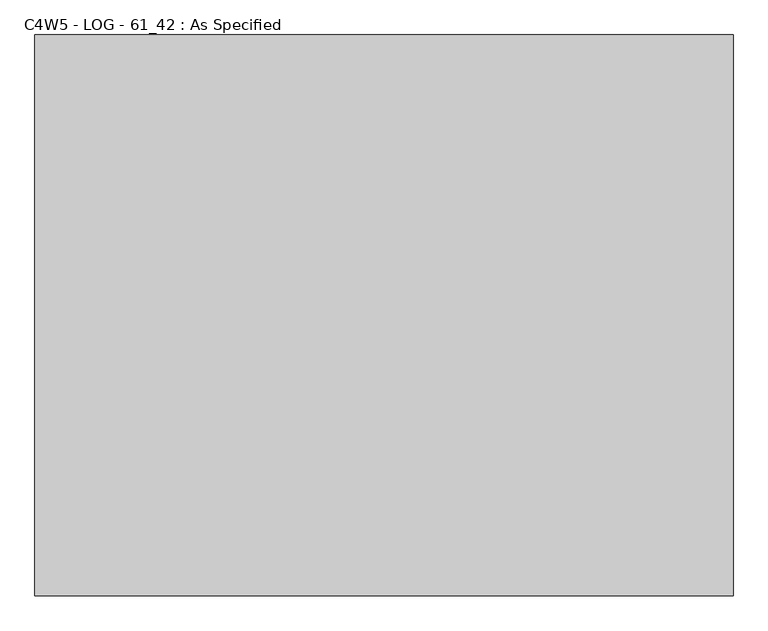
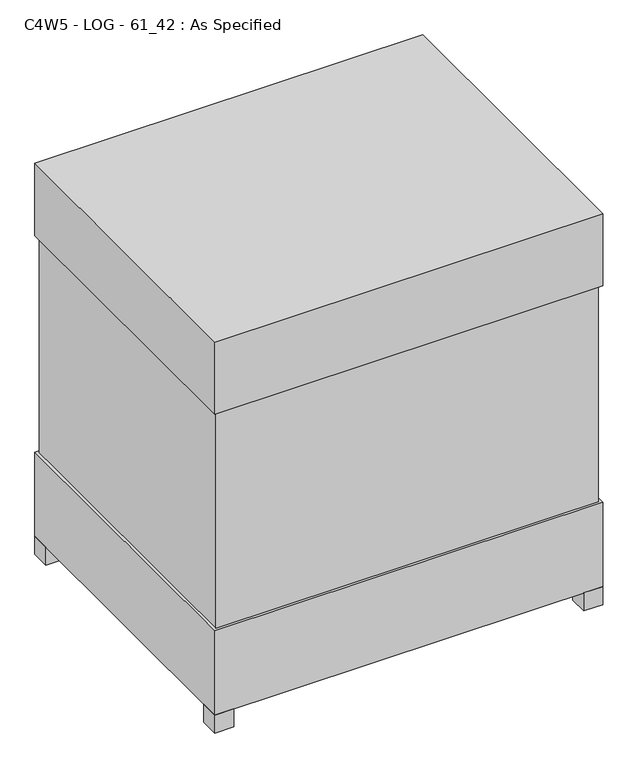
"""IFC4 building model written with IfcOpenShell, lengths in millimetres: proxy geometry, C4W5 - LOG - 61_42 : As Specified."""

from ifc_helpers import new_model, si_unit, frame, origin, origin_with_axes, place, context, project, spatial, polyline, outline, extrude, source, transform, mapped, element, save


def c4w5_log_61_42_as_specified_ed675123(model_context):
    return source(origin(), model_context, "Body", "SweptSolid", [
        extrude(outline(polyline([(763.5875, 611.1875), (763.5875, -611.1875), (-763.5875, -611.1875), (-763.5875, 611.1875), (763.5875, 611.1875)])), frame((0.0, 0.0, 431.8), z_axis=(0.0, 0.0, 1.0), x_axis=(1.0, 0.0, 0.0)), (0.0, 0.0, 1.0), 914.4),
        extrude(outline(polyline([(774.7, 622.3), (774.7, -622.3), (-774.7, -622.3), (-774.7, 622.3), (774.7, 622.3)])), frame((0.0, 0.0, 1346.2), z_axis=(0.0, 0.0, 1.0), x_axis=(1.0, 0.0, 0.0)), (0.0, 0.0, 1.0), 304.8),
        extrude(outline(polyline([(660.4, 406.4), (660.4, 330.2), (584.2, 330.2), (584.2, 406.4), (660.4, 406.4)])), frame((0.0, 0.0, 50.8), z_axis=(0.0, 0.0, 1.0), x_axis=(1.0, 0.0, 0.0)), (0.0, 0.0, 1.0), 25.4),
        extrude(outline(polyline([(660.4, -330.2), (660.4, -406.4), (584.2, -406.4), (584.2, -330.2), (660.4, -330.2)])), frame((0.0, 0.0, 50.8), z_axis=(0.0, 0.0, 1.0), x_axis=(1.0, 0.0, 0.0)), (0.0, 0.0, 1.0), 25.4),
        extrude(outline(polyline([(-698.5, 622.3), (-698.5, 546.1), (-774.7, 546.1), (-774.7, 622.3), (-698.5, 622.3)])), origin_with_axes(), (0.0, 0.0, 1.0), 76.2),
        extrude(outline(polyline([(774.7, 622.3), (774.7, 546.1), (698.5, 546.1), (698.5, 622.3), (774.7, 622.3)])), origin_with_axes(), (0.0, 0.0, 1.0), 76.2),
        extrude(outline(polyline([(774.7, -546.1), (774.7, -622.3), (698.5, -622.3), (698.5, -546.1), (774.7, -546.1)])), origin_with_axes(), (0.0, 0.0, 1.0), 76.2),
        extrude(outline(polyline([(-698.5, -546.1), (-698.5, -622.3), (-774.7, -622.3), (-774.7, -546.1), (-698.5, -546.1)])), origin_with_axes(), (0.0, 0.0, 1.0), 76.2),
        extrude(outline(polyline([(774.7, 622.3), (774.7, -622.3), (-774.7, -622.3), (-774.7, 622.3), (774.7, 622.3)])), frame((0.0, 0.0, 76.2), z_axis=(0.0, 0.0, 1.0), x_axis=(1.0, 0.0, 0.0)), (0.0, 0.0, 1.0), 355.6),
    ])


if __name__ == "__main__":
    model = new_model("IFC4")
    model_context = context("Model", 3, world=origin())
    ifc_project = project(units=[si_unit("LENGTHUNIT", "METRE", prefix="MILLI")], contexts=[model_context])
    site = spatial("IfcSite", under=ifc_project)
    building = spatial("IfcBuilding", under=site)
    placement = place(None, origin())
    c4w5_log_61_42_as_specified_shape = c4w5_log_61_42_as_specified_ed675123(model_context)
    element("IfcBuildingElementProxy", 1, Name="C4W5 - LOG - 61_42 : As Specified", ObjectType="C4W5 - LOG - 61_42 : As Specified", at=placement, inside=building, context=model_context, shape_type="MappedRepresentation", body=[
        mapped(c4w5_log_61_42_as_specified_shape, transform((0.0, 0.0, 0.0), x_axis=(1.0, 0.0, 0.0), y_axis=(0.0, 1.0, 0.0), z_axis=(0.0, 0.0, 1.0))),
    ])
    save(model, "model.ifc")
